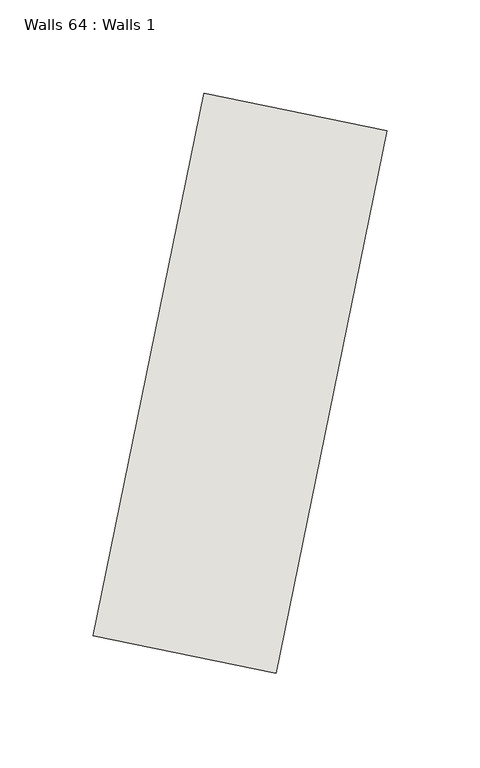
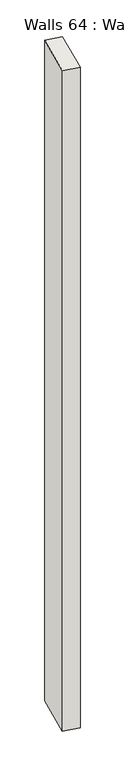
"""IFC4 building model written with IfcOpenShell, lengths in millimetres: wall geometry, Walls 64 : Walls 1."""

from ifc_helpers import new_model, si_unit, origin, origin_with_axes, place, context, project, spatial, polyline, outline, extrude, source, transform, mapped, element, save


def walls_64_walls_1_71f7207b(model_context):
    return source(origin(), model_context, "Body", "SweptSolid", [
        extrude(outline(polyline([(6296.6973543, 1379.526273), (6356.088553, 1670.2505853), (6454.0650147, 1650.2352675), (6394.6738161, 1359.5109552), (6296.6973543, 1379.526273)])), origin_with_axes(), (0.0, 0.0, 1.0), 4277.0089265),
    ])


if __name__ == "__main__":
    model = new_model("IFC4")
    model_context = context("Model", 3, world=origin())
    ifc_project = project(units=[si_unit("LENGTHUNIT", "METRE", prefix="MILLI")], contexts=[model_context])
    site = spatial("IfcSite", under=ifc_project)
    building = spatial("IfcBuilding", under=site)
    placement = place(None, origin())
    walls_64_walls_1_shape = walls_64_walls_1_71f7207b(model_context)
    element("IfcWall", 1, ObjectType="Walls 64 : Walls 1", at=placement, inside=building, context=model_context, shape_type="MappedRepresentation", body=[
        mapped(walls_64_walls_1_shape, transform((0.0, 0.0, 0.0), x_axis=(1.0, 0.0, 0.0), y_axis=(0.0, 1.0, 0.0), z_axis=(0.0, 0.0, 1.0))),
    ])
    save(model, "model.ifc")
